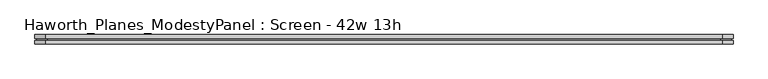
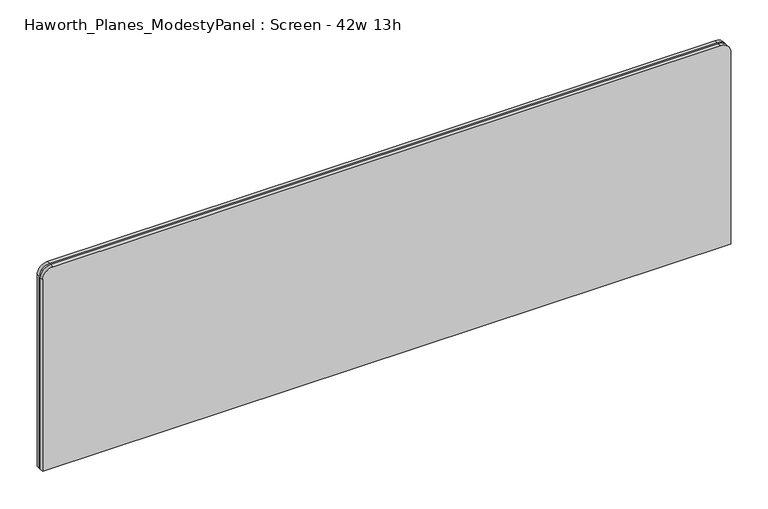
"""IFC4 building model written with IfcOpenShell, lengths in millimetres: furniture geometry, Haworth_Planes_ModestyPanel : Screen - 42w 13h."""

import ifcopenshell
import ifcopenshell.guid

model = None  # the IFC model being written
_history = None  # IfcOwnerHistory: only IFC2X3 demands one
_inside = {}  # id of a spatial element -> (the spatial element, [elements in it])
_under = {}  # id of a project, library or spatial element -> (it, [spatial elements below it])
_declared = {}  # id of a project -> (the project, [libraries it declares])
_typed = {}  # id of a type object -> (the type object, [elements of that type])
_made_of = {}  # id of a material, layer set ... -> (it, [elements and type objects made of it])


def new_model(schema):
    """Start an empty IFC model of exactly this schema.

    Asked for "IFC4X3", IfcOpenShell would pick the latest addendum, in which some entities
    have other attributes; the version numbers below select the first issue.
    IFC2X3 requires an IfcOwnerHistory on every rooted entity: one is made here for all.
    """
    global model, _history
    if schema == "IFC4X3":
        model = ifcopenshell.file(schema_version=(4, 3, 0, 0))
    else:
        model = ifcopenshell.file(schema=schema)
    _inside.clear()
    _under.clear()
    _declared.clear()
    _typed.clear()
    _made_of.clear()
    _history = None
    if model.schema == "IFC2X3":
        org = make("IfcOrganization", Name="unknown")
        user = make(
            "IfcPersonAndOrganization",
            ThePerson=make("IfcPerson", FamilyName="unknown"),
            TheOrganization=org,
        )
        app = make(
            "IfcApplication",
            ApplicationDeveloper=org,
            Version="unknown",
            ApplicationFullName="unknown",
            ApplicationIdentifier="unknown",
        )
        _history = make(
            "IfcOwnerHistory",
            OwningUser=user,
            OwningApplication=app,
            ChangeAction="ADDED",
            CreationDate=0,
        )
    return model


def make(cls, **values):
    """One entity of the class cls with the attributes given. An attribute that is None is left unset."""
    return model.create_entity(
        cls, **{name: value for name, value in values.items() if value is not None}
    )


def rooted(cls, **values):
    """An entity with a GlobalId (a new one), such as an element, a storey or a relation."""
    return make(cls, GlobalId=ifcopenshell.guid.new(), OwnerHistory=_history, **values)


def si_unit(unit_type, name, prefix=None):
    """IfcSIUnit, for example si_unit("LENGTHUNIT", "METRE", prefix="MILLI")."""
    return make("IfcSIUnit", UnitType=unit_type, Prefix=prefix, Name=name)


def assignment(units):
    """IfcUnitAssignment: the units of a project."""
    return None if units is None else make("IfcUnitAssignment", Units=units)


def point(xyz):
    """IfcCartesianPoint."""
    return None if xyz is None else make("IfcCartesianPoint", Coordinates=xyz)


def direction(xyz):
    """IfcDirection."""
    return None if xyz is None else make("IfcDirection", DirectionRatios=xyz)


def frame(location, z_axis=None, x_axis=None):
    """IfcAxis2Placement3D, a coordinate frame: its origin and axes. An axis left out is left unset."""
    return make(
        "IfcAxis2Placement3D",
        Location=point(location),
        Axis=direction(z_axis),
        RefDirection=direction(x_axis),
    )


def frame_2d(location, x_axis=None):
    """IfcAxis2Placement2D, a coordinate frame in the plane: its origin and x axis."""
    return make(
        "IfcAxis2Placement2D", Location=point(location), RefDirection=direction(x_axis)
    )


def origin():
    """The frame at (0, 0, 0) with its axes left unset."""
    return frame((0.0, 0.0, 0.0))


def place(relative_to, where):
    """IfcLocalPlacement: puts the frame where relative to a parent placement (None: the world)."""
    return make(
        "IfcLocalPlacement", PlacementRelTo=relative_to, RelativePlacement=where
    )


def context(
    kind, dimensions, precision=None, world=None, true_north=None, identifier=None
):
    """IfcGeometricRepresentationContext, for example the 3D "Model" context."""
    return make(
        "IfcGeometricRepresentationContext",
        ContextIdentifier=identifier,
        ContextType=kind,
        CoordinateSpaceDimension=dimensions,
        Precision=precision,
        WorldCoordinateSystem=world,
        TrueNorth=true_north,
    )


def project(units=None, contexts=None):
    """IfcProject with its units and contexts."""
    return rooted(
        "IfcProject",
        Name="project",
        RepresentationContexts=contexts,
        UnitsInContext=assignment(units),
    )


def spatial(cls, under=None, at=None, **own):
    """A site, building, storey or space (cls), placed at a placement, below another one or the project."""
    s = rooted(cls, ObjectPlacement=at, **own)
    if under is not None:
        _under.setdefault(under.id(), (under, []))[1].append(s)
    return s


def polyline(points):
    """IfcPolyline through the points."""
    return make("IfcPolyline", Points=[point(p) for p in points])


def circle_curve(where, radius):
    """IfcCircle in the frame where."""
    return make("IfcCircle", Position=where, Radius=radius)


def trimmed(basis, trim1, trim2, sense, master):
    """IfcTrimmedCurve: the piece of a basis curve between two trims."""
    return make(
        "IfcTrimmedCurve",
        BasisCurve=basis,
        Trim1=trim1,
        Trim2=trim2,
        SenseAgreement=sense,
        MasterRepresentation=master,
    )


def segment(curve, same_sense, transition):
    """IfcCompositeCurveSegment."""
    return make(
        "IfcCompositeCurveSegment",
        Transition=transition,
        SameSense=same_sense,
        ParentCurve=curve,
    )


def composite_curve(segments, self_intersect=None):
    """IfcCompositeCurve: segments joined end to end."""
    return make("IfcCompositeCurve", Segments=segments, SelfIntersect=self_intersect)


def outline(outer, holes=None, kind="AREA"):
    """IfcArbitraryClosedProfileDef: a profile drawn as a closed curve; with holes, ...WithVoids."""
    if holes is None:
        return make("IfcArbitraryClosedProfileDef", ProfileType=kind, OuterCurve=outer)
    return make(
        "IfcArbitraryProfileDefWithVoids",
        ProfileType=kind,
        OuterCurve=outer,
        InnerCurves=holes,
    )


def extrude(swept, where, along, depth):
    """IfcExtrudedAreaSolid: the profile swept, set in the frame where, extruded along a direction by depth."""
    return make(
        "IfcExtrudedAreaSolid",
        SweptArea=swept,
        Position=where,
        ExtrudedDirection=direction(along),
        Depth=depth,
    )


def shape(context_of_items, identifier, shape_type, items):
    """IfcShapeRepresentation: the items that make up one representation, for example the "Body"."""
    return make(
        "IfcShapeRepresentation",
        ContextOfItems=context_of_items,
        RepresentationIdentifier=identifier,
        RepresentationType=shape_type,
        Items=items,
    )


def source(mapping_origin, context_of_items, identifier, shape_type, items):
    """IfcRepresentationMap: a shape defined once, which mapped items show again and again."""
    return make(
        "IfcRepresentationMap",
        MappingOrigin=mapping_origin,
        MappedRepresentation=shape(context_of_items, identifier, shape_type, items),
    )


def transform(
    local_origin,
    x_axis=None,
    y_axis=None,
    z_axis=None,
    scale=None,
    scale2=None,
    scale3=None,
    uniform=True,
):
    """IfcCartesianTransformationOperator3D, or its non-uniform kind. x_axis, y_axis, z_axis: its Axis1, 2, 3."""
    if uniform:
        return make(
            "IfcCartesianTransformationOperator3D",
            Axis1=direction(x_axis),
            Axis2=direction(y_axis),
            LocalOrigin=point(local_origin),
            Scale=scale,
            Axis3=direction(z_axis),
        )
    return make(
        "IfcCartesianTransformationOperator3DnonUniform",
        Axis1=direction(x_axis),
        Axis2=direction(y_axis),
        LocalOrigin=point(local_origin),
        Scale=scale,
        Axis3=direction(z_axis),
        Scale2=scale2,
        Scale3=scale3,
    )


def mapped(mapping_source, mapping_target):
    """IfcMappedItem: shows the shape of a source again, moved by a transform."""
    return make(
        "IfcMappedItem", MappingSource=mapping_source, MappingTarget=mapping_target
    )


def made_of(thing, what):
    """Note that an element or type object is made of a material, layer set ...; save() writes the relation."""
    if what is not None:
        _made_of.setdefault(what.id(), (what, []))[1].append(thing)
    return thing


def element(
    cls,
    number,
    at=None,
    inside=None,
    cuts=None,
    type_object=None,
    material=None,
    context=None,
    identifier="Body",
    shape_type=None,
    held_by="IfcProductDefinitionShape",
    body=None,
    shapes=None,
    **own,
):
    """One element of the class cls, such as IfcWall. Its Tag is "e" and its number.

    at: its placement. inside: the storey or other place that contains it. cuts: it is an
    opening in that element (IfcRelVoidsElement). A single representation is given by context,
    identifier, shape_type and body (its items); several are given by shapes. held_by: the class
    of the entity that holds the representations. save() writes the other relations.
    """
    e = rooted(cls, Tag="e%d" % number, ObjectPlacement=at, **own)
    if body is not None:
        shapes = [shape(context, identifier, shape_type, body)]
    if shapes is not None:
        e.Representation = make(held_by, Representations=shapes)
    if inside is not None:
        _inside.setdefault(inside.id(), (inside, []))[1].append(e)
    if cuts is not None:
        rooted(
            "IfcRelVoidsElement", RelatingBuildingElement=cuts, RelatedOpeningElement=e
        )
    if type_object is not None:
        _typed.setdefault(type_object.id(), (type_object, []))[1].append(e)
    return made_of(e, material)


def aggregate(whole, parts):
    """IfcRelAggregates: a whole, such as a stair, and the parts it consists of."""
    return rooted("IfcRelAggregates", RelatingObject=whole, RelatedObjects=parts)


def save(model, path):
    """Write the relations noted so far, then the file.

    IfcRelAggregates (storeys below a building ...), IfcRelContainedInSpatialStructure (elements
    in a storey), IfcRelDefinesByType, IfcRelAssociatesMaterial and IfcRelDeclares: one each for
    every whole, place, type object, material and project.
    """
    for whole, parts in _under.values():
        aggregate(whole, parts)
    for where, things in _inside.values():
        rooted(
            "IfcRelContainedInSpatialStructure",
            RelatedElements=things,
            RelatingStructure=where,
        )
    for kind, things in _typed.values():
        rooted("IfcRelDefinesByType", RelatedObjects=things, RelatingType=kind)
    for what, things in _made_of.values():
        rooted("IfcRelAssociatesMaterial", RelatedObjects=things, RelatingMaterial=what)
    for by, libraries in _declared.values():
        rooted("IfcRelDeclares", RelatingContext=by, RelatedDefinitions=libraries)
    model.write(path)


def haworth_planes_modestypanel_screen_42w_13h_3dadbe28(model_context):
    return source(origin(), model_context, "Body", "SweptSolid", [
        extrude(outline(composite_curve([segment(polyline([(327.025, 730.25), (327.025, -298.45)]), True, "CONTINUOUS"), segment(trimmed(circle_curve(frame_2d((311.15, -298.45)), 15.875), [point((327.025, -298.45))], [point((311.15, -314.325))], False, "CARTESIAN"), True, "CONTINUOUS"), segment(polyline([(311.15, -314.325), (3.175, -314.325), (3.175, 746.125), (311.15, 746.125)]), True, "CONTINUOUS"), segment(trimmed(circle_curve(frame_2d((311.15, 730.25)), 15.875), [point((311.15, 746.125))], [point((327.025, 730.25))], False, "CARTESIAN"), True, "CONTINUOUS")], self_intersect=False)), frame((0.0, -201.3409766, 0.0), z_axis=(0.0, 1.0, 0.0), x_axis=(0.0, 0.0, 1.0)), (0.0, 0.0, 1.0), 3.175),
        extrude(outline(composite_curve([segment(polyline([(330.2, 733.425), (330.2, -301.625)]), True, "CONTINUOUS"), segment(trimmed(circle_curve(frame_2d((314.325, -301.625)), 15.875), [point((330.2, -301.625))], [point((314.325, -317.5))], False, "CARTESIAN"), True, "CONTINUOUS"), segment(polyline([(314.325, -317.5), (0.0, -317.5), (0.0, 749.3), (314.325, 749.3)]), True, "CONTINUOUS"), segment(trimmed(circle_curve(frame_2d((314.325, 733.425)), 15.875), [point((314.325, 749.3))], [point((330.2, 733.425))], False, "CARTESIAN"), True, "CONTINUOUS")], self_intersect=False)), frame((0.0, -198.1659766, 0.0), z_axis=(0.0, 1.0, 0.0), x_axis=(0.0, 0.0, 1.0)), (0.0, 0.0, 1.0), 5.55625),
        extrude(outline(composite_curve([segment(polyline([(330.2, 733.425), (330.2, -301.625)]), True, "CONTINUOUS"), segment(trimmed(circle_curve(frame_2d((314.325, -301.625)), 15.875), [point((330.2, -301.625))], [point((314.325, -317.5))], False, "CARTESIAN"), True, "CONTINUOUS"), segment(polyline([(314.325, -317.5), (0.0, -317.5), (0.0, 749.3), (314.325, 749.3)]), True, "CONTINUOUS"), segment(trimmed(circle_curve(frame_2d((314.325, 733.425)), 15.875), [point((314.325, 749.3))], [point((330.2, 733.425))], False, "CARTESIAN"), True, "CONTINUOUS")], self_intersect=False)), frame((0.0, -206.8972266, 0.0), z_axis=(0.0, 1.0, 0.0), x_axis=(0.0, 0.0, 1.0)), (0.0, 0.0, 1.0), 5.55625),
    ])


if __name__ == "__main__":
    model = new_model("IFC4")
    model_context = context("Model", 3, world=origin())
    ifc_project = project(units=[si_unit("LENGTHUNIT", "METRE", prefix="MILLI")], contexts=[model_context])
    site = spatial("IfcSite", under=ifc_project)
    building = spatial("IfcBuilding", under=site)
    placement = place(None, origin())
    haworth_planes_modestypanel_screen_42w_13h_shape = haworth_planes_modestypanel_screen_42w_13h_3dadbe28(model_context)
    element("IfcFurniture", 1, ObjectType="Haworth_Planes_ModestyPanel : Screen - 42w 13h", at=placement, inside=building, context=model_context, shape_type="MappedRepresentation", body=[
        mapped(haworth_planes_modestypanel_screen_42w_13h_shape, transform((0.0, 0.0, 0.0), x_axis=(1.0, 0.0, 0.0), y_axis=(0.0, 1.0, 0.0), z_axis=(0.0, 0.0, 1.0))),
    ])
    save(model, "model.ifc")
